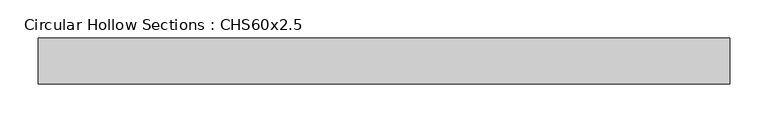
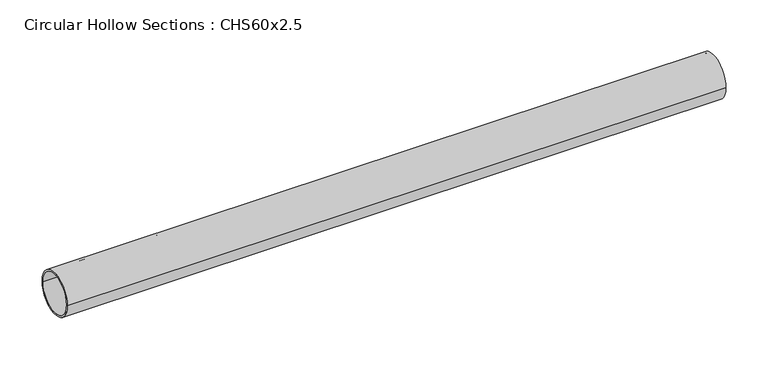
"""IFC4 building model written with IfcOpenShell, lengths in millimetres: member geometry, Circular Hollow Sections : CHS60x2.5."""

from ifc_helpers import new_model, si_unit, point, frame, origin, origin_2d, place, context, project, spatial, circle_curve, trimmed, segment, composite_curve, outline, extrude, source, transform, mapped, element, save


def circular_hollow_sections_chs60x2_5_24beb3fe(model_context):
    return source(origin(), model_context, "Body", "SweptSolid", [
        extrude(outline(composite_curve([segment(trimmed(circle_curve(origin_2d(), 30.0), [point((-30.0, 0.0))], [point((30.0, 0.0))], False, "CARTESIAN"), True, "CONTINUOUS"), segment(trimmed(circle_curve(origin_2d(), 30.0), [point((30.0, 0.0))], [point((-30.0, 0.0))], False, "CARTESIAN"), True, "CONTINUOUS")], self_intersect=False), holes=[composite_curve([segment(trimmed(circle_curve(origin_2d(), 27.5), [point((27.5, 0.0))], [point((-27.5, 0.0))], True, "CARTESIAN"), True, "CONTINUOUS"), segment(trimmed(circle_curve(origin_2d(), 27.5), [point((-27.5, 0.0))], [point((27.5, 0.0))], True, "CARTESIAN"), True, "CONTINUOUS")], self_intersect=False)]), frame((-452.0, 0.0, 0.0), z_axis=(1.0, 0.0, 0.0), x_axis=(0.0, 1.0, 0.0)), (0.0, 0.0, 1.0), 904.0),
    ])


if __name__ == "__main__":
    model = new_model("IFC4")
    model_context = context("Model", 3, world=origin())
    ifc_project = project(units=[si_unit("LENGTHUNIT", "METRE", prefix="MILLI")], contexts=[model_context])
    site = spatial("IfcSite", under=ifc_project)
    building = spatial("IfcBuilding", under=site)
    placement = place(None, origin())
    circular_hollow_sections_chs60x2_5_shape = circular_hollow_sections_chs60x2_5_24beb3fe(model_context)
    element("IfcMember", 1, ObjectType="Circular Hollow Sections : CHS60x2.5", at=placement, inside=building, context=model_context, shape_type="MappedRepresentation", body=[
        mapped(circular_hollow_sections_chs60x2_5_shape, transform((0.0, 0.0, 0.0), x_axis=(1.0, 0.0, 0.0), y_axis=(0.0, 1.0, 0.0), z_axis=(0.0, 0.0, 1.0))),
    ])
    save(model, "model.ifc")
